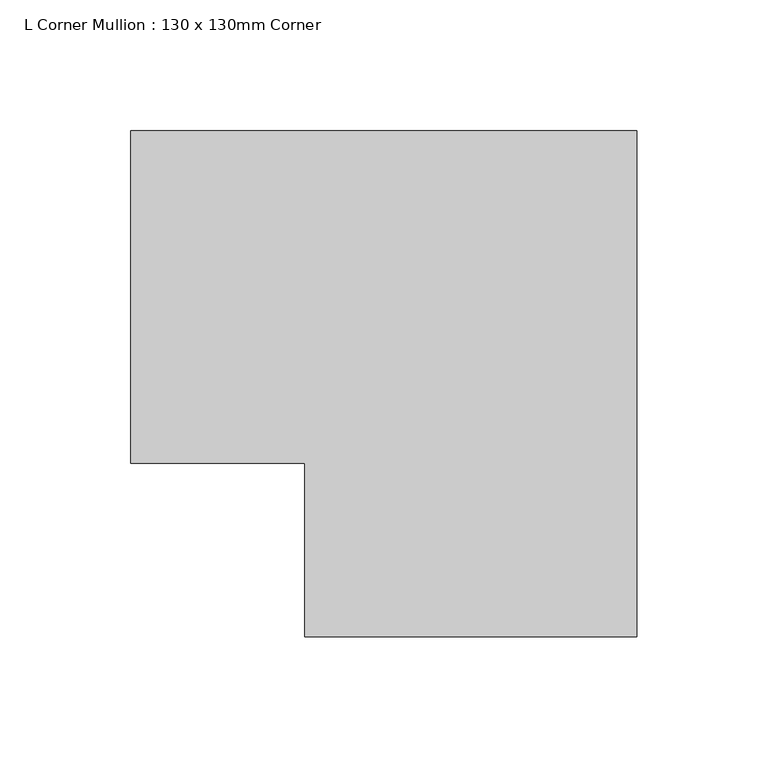
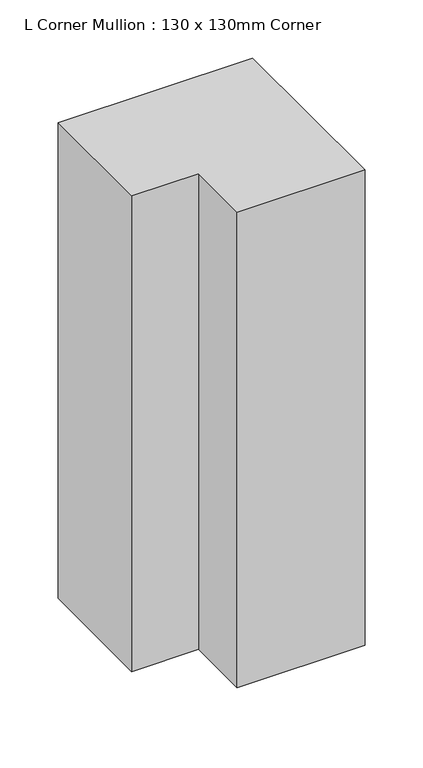
"""IFC4 building model written with IfcOpenShell, lengths in millimetres: member geometry, L Corner Mullion : 130 x 130mm Corner."""

import ifcopenshell
import ifcopenshell.guid

model = None  # the IFC model being written
_history = None  # IfcOwnerHistory: only IFC2X3 demands one
_inside = {}  # id of a spatial element -> (the spatial element, [elements in it])
_under = {}  # id of a project, library or spatial element -> (it, [spatial elements below it])
_declared = {}  # id of a project -> (the project, [libraries it declares])
_typed = {}  # id of a type object -> (the type object, [elements of that type])
_made_of = {}  # id of a material, layer set ... -> (it, [elements and type objects made of it])


def new_model(schema):
    """Start an empty IFC model of exactly this schema.

    Asked for "IFC4X3", IfcOpenShell would pick the latest addendum, in which some entities
    have other attributes; the version numbers below select the first issue.
    IFC2X3 requires an IfcOwnerHistory on every rooted entity: one is made here for all.
    """
    global model, _history
    if schema == "IFC4X3":
        model = ifcopenshell.file(schema_version=(4, 3, 0, 0))
    else:
        model = ifcopenshell.file(schema=schema)
    _inside.clear()
    _under.clear()
    _declared.clear()
    _typed.clear()
    _made_of.clear()
    _history = None
    if model.schema == "IFC2X3":
        org = make("IfcOrganization", Name="unknown")
        user = make(
            "IfcPersonAndOrganization",
            ThePerson=make("IfcPerson", FamilyName="unknown"),
            TheOrganization=org,
        )
        app = make(
            "IfcApplication",
            ApplicationDeveloper=org,
            Version="unknown",
            ApplicationFullName="unknown",
            ApplicationIdentifier="unknown",
        )
        _history = make(
            "IfcOwnerHistory",
            OwningUser=user,
            OwningApplication=app,
            ChangeAction="ADDED",
            CreationDate=0,
        )
    return model


def make(cls, **values):
    """One entity of the class cls with the attributes given. An attribute that is None is left unset."""
    return model.create_entity(
        cls, **{name: value for name, value in values.items() if value is not None}
    )


def rooted(cls, **values):
    """An entity with a GlobalId (a new one), such as an element, a storey or a relation."""
    return make(cls, GlobalId=ifcopenshell.guid.new(), OwnerHistory=_history, **values)


def si_unit(unit_type, name, prefix=None):
    """IfcSIUnit, for example si_unit("LENGTHUNIT", "METRE", prefix="MILLI")."""
    return make("IfcSIUnit", UnitType=unit_type, Prefix=prefix, Name=name)


def assignment(units):
    """IfcUnitAssignment: the units of a project."""
    return None if units is None else make("IfcUnitAssignment", Units=units)


def point(xyz):
    """IfcCartesianPoint."""
    return None if xyz is None else make("IfcCartesianPoint", Coordinates=xyz)


def direction(xyz):
    """IfcDirection."""
    return None if xyz is None else make("IfcDirection", DirectionRatios=xyz)


def frame(location, z_axis=None, x_axis=None):
    """IfcAxis2Placement3D, a coordinate frame: its origin and axes. An axis left out is left unset."""
    return make(
        "IfcAxis2Placement3D",
        Location=point(location),
        Axis=direction(z_axis),
        RefDirection=direction(x_axis),
    )


def origin():
    """The frame at (0, 0, 0) with its axes left unset."""
    return frame((0.0, 0.0, 0.0))


def place(relative_to, where):
    """IfcLocalPlacement: puts the frame where relative to a parent placement (None: the world)."""
    return make(
        "IfcLocalPlacement", PlacementRelTo=relative_to, RelativePlacement=where
    )


def context(
    kind, dimensions, precision=None, world=None, true_north=None, identifier=None
):
    """IfcGeometricRepresentationContext, for example the 3D "Model" context."""
    return make(
        "IfcGeometricRepresentationContext",
        ContextIdentifier=identifier,
        ContextType=kind,
        CoordinateSpaceDimension=dimensions,
        Precision=precision,
        WorldCoordinateSystem=world,
        TrueNorth=true_north,
    )


def project(units=None, contexts=None):
    """IfcProject with its units and contexts."""
    return rooted(
        "IfcProject",
        Name="project",
        RepresentationContexts=contexts,
        UnitsInContext=assignment(units),
    )


def spatial(cls, under=None, at=None, **own):
    """A site, building, storey or space (cls), placed at a placement, below another one or the project."""
    s = rooted(cls, ObjectPlacement=at, **own)
    if under is not None:
        _under.setdefault(under.id(), (under, []))[1].append(s)
    return s


def polyline(points):
    """IfcPolyline through the points."""
    return make("IfcPolyline", Points=[point(p) for p in points])


def outline(outer, holes=None, kind="AREA"):
    """IfcArbitraryClosedProfileDef: a profile drawn as a closed curve; with holes, ...WithVoids."""
    if holes is None:
        return make("IfcArbitraryClosedProfileDef", ProfileType=kind, OuterCurve=outer)
    return make(
        "IfcArbitraryProfileDefWithVoids",
        ProfileType=kind,
        OuterCurve=outer,
        InnerCurves=holes,
    )


def extrude(swept, where, along, depth):
    """IfcExtrudedAreaSolid: the profile swept, set in the frame where, extruded along a direction by depth."""
    return make(
        "IfcExtrudedAreaSolid",
        SweptArea=swept,
        Position=where,
        ExtrudedDirection=direction(along),
        Depth=depth,
    )


def shape(context_of_items, identifier, shape_type, items):
    """IfcShapeRepresentation: the items that make up one representation, for example the "Body"."""
    return make(
        "IfcShapeRepresentation",
        ContextOfItems=context_of_items,
        RepresentationIdentifier=identifier,
        RepresentationType=shape_type,
        Items=items,
    )


def source(mapping_origin, context_of_items, identifier, shape_type, items):
    """IfcRepresentationMap: a shape defined once, which mapped items show again and again."""
    return make(
        "IfcRepresentationMap",
        MappingOrigin=mapping_origin,
        MappedRepresentation=shape(context_of_items, identifier, shape_type, items),
    )


def transform(
    local_origin,
    x_axis=None,
    y_axis=None,
    z_axis=None,
    scale=None,
    scale2=None,
    scale3=None,
    uniform=True,
):
    """IfcCartesianTransformationOperator3D, or its non-uniform kind. x_axis, y_axis, z_axis: its Axis1, 2, 3."""
    if uniform:
        return make(
            "IfcCartesianTransformationOperator3D",
            Axis1=direction(x_axis),
            Axis2=direction(y_axis),
            LocalOrigin=point(local_origin),
            Scale=scale,
            Axis3=direction(z_axis),
        )
    return make(
        "IfcCartesianTransformationOperator3DnonUniform",
        Axis1=direction(x_axis),
        Axis2=direction(y_axis),
        LocalOrigin=point(local_origin),
        Scale=scale,
        Axis3=direction(z_axis),
        Scale2=scale2,
        Scale3=scale3,
    )


def mapped(mapping_source, mapping_target):
    """IfcMappedItem: shows the shape of a source again, moved by a transform."""
    return make(
        "IfcMappedItem", MappingSource=mapping_source, MappingTarget=mapping_target
    )


def made_of(thing, what):
    """Note that an element or type object is made of a material, layer set ...; save() writes the relation."""
    if what is not None:
        _made_of.setdefault(what.id(), (what, []))[1].append(thing)
    return thing


def element(
    cls,
    number,
    at=None,
    inside=None,
    cuts=None,
    type_object=None,
    material=None,
    context=None,
    identifier="Body",
    shape_type=None,
    held_by="IfcProductDefinitionShape",
    body=None,
    shapes=None,
    **own,
):
    """One element of the class cls, such as IfcWall. Its Tag is "e" and its number.

    at: its placement. inside: the storey or other place that contains it. cuts: it is an
    opening in that element (IfcRelVoidsElement). A single representation is given by context,
    identifier, shape_type and body (its items); several are given by shapes. held_by: the class
    of the entity that holds the representations. save() writes the other relations.
    """
    e = rooted(cls, Tag="e%d" % number, ObjectPlacement=at, **own)
    if body is not None:
        shapes = [shape(context, identifier, shape_type, body)]
    if shapes is not None:
        e.Representation = make(held_by, Representations=shapes)
    if inside is not None:
        _inside.setdefault(inside.id(), (inside, []))[1].append(e)
    if cuts is not None:
        rooted(
            "IfcRelVoidsElement", RelatingBuildingElement=cuts, RelatedOpeningElement=e
        )
    if type_object is not None:
        _typed.setdefault(type_object.id(), (type_object, []))[1].append(e)
    return made_of(e, material)


def aggregate(whole, parts):
    """IfcRelAggregates: a whole, such as a stair, and the parts it consists of."""
    return rooted("IfcRelAggregates", RelatingObject=whole, RelatedObjects=parts)


def save(model, path):
    """Write the relations noted so far, then the file.

    IfcRelAggregates (storeys below a building ...), IfcRelContainedInSpatialStructure (elements
    in a storey), IfcRelDefinesByType, IfcRelAssociatesMaterial and IfcRelDeclares: one each for
    every whole, place, type object, material and project.
    """
    for whole, parts in _under.values():
        aggregate(whole, parts)
    for where, things in _inside.values():
        rooted(
            "IfcRelContainedInSpatialStructure",
            RelatedElements=things,
            RelatingStructure=where,
        )
    for kind, things in _typed.values():
        rooted("IfcRelDefinesByType", RelatedObjects=things, RelatingType=kind)
    for what, things in _made_of.values():
        rooted("IfcRelAssociatesMaterial", RelatedObjects=things, RelatingMaterial=what)
    for by, libraries in _declared.values():
        rooted("IfcRelDeclares", RelatingContext=by, RelatedDefinitions=libraries)
    model.write(path)


def l_corner_mullion_130_x_130mm_corner_f3c58a6b(model_context):
    return source(origin(), model_context, "Body", "SweptSolid", [
        extrude(outline(polyline([(-63.5, -130.0), (-63.5, -63.5), (-130.0, -63.5), (-130.0, 63.5), (63.5, 63.5), (63.5, -130.0), (-63.5, -130.0)])), frame((0.0, 0.0, -500.0), z_axis=(0.0, 0.0, 1.0), x_axis=(1.0, 0.0, 0.0)), (0.0, 0.0, 1.0), 500.0),
    ])


if __name__ == "__main__":
    model = new_model("IFC4")
    model_context = context("Model", 3, world=origin())
    ifc_project = project(units=[si_unit("LENGTHUNIT", "METRE", prefix="MILLI")], contexts=[model_context])
    site = spatial("IfcSite", under=ifc_project)
    building = spatial("IfcBuilding", under=site)
    placement = place(None, origin())
    l_corner_mullion_130_x_130mm_corner_shape = l_corner_mullion_130_x_130mm_corner_f3c58a6b(model_context)
    element("IfcMember", 1, ObjectType="L Corner Mullion : 130 x 130mm Corner", at=placement, inside=building, context=model_context, shape_type="MappedRepresentation", body=[
        mapped(l_corner_mullion_130_x_130mm_corner_shape, transform((0.0, 0.0, 0.0), x_axis=(1.0, 0.0, 0.0), y_axis=(0.0, 1.0, 0.0), z_axis=(0.0, 0.0, 1.0))),
    ])
    save(model, "model.ifc")
